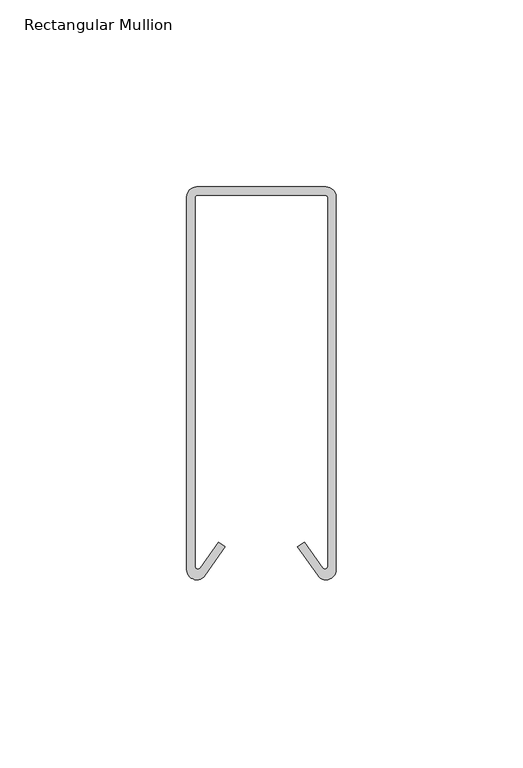
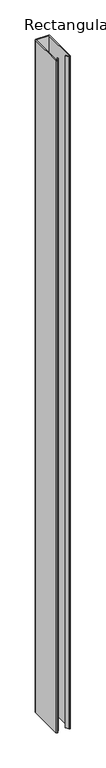
"""IFC4 building model written with IfcOpenShell, lengths in millimetres: member geometry, Rectangular Mullion."""

from ifc_helpers import new_model, si_unit, point, frame, frame_2d, origin, place, context, project, spatial, polyline, circle_curve, trimmed, segment, composite_curve, outline, extrude, source, transform, mapped, element, save


def rectangular_mullion_2d8c0390(model_context):
    return source(origin(), model_context, "Body", "SweptSolid", [
        extrude(outline(composite_curve([segment(polyline([(-17.3153076, 105.1114913), (17.3153076, 105.1114913)]), True, "CONTINUOUS"), segment(trimmed(circle_curve(frame_2d((17.3153076, 102.426799)), 2.6846924), [point((17.3153076, 105.1114913))], [point((20.0, 102.426799))], False, "CARTESIAN"), True, "CONTINUOUS"), segment(polyline([(20.0, 102.426799), (20.0, 2.703127)]), True, "CONTINUOUS"), segment(trimmed(circle_curve(frame_2d((17.2947667, 2.703127)), 2.7052333), [point((20.0, 2.703127))], [point((15.0787692, 1.1514689))], False, "CARTESIAN"), True, "CONTINUOUS"), segment(polyline([(15.0787692, 1.1514689), (9.722949, 8.8003728), (11.5250835, 10.062241), (16.3446784, 3.1791462)]), True, "CONTINUOUS"), segment(trimmed(circle_curve(frame_2d((17.0, 3.6380074)), 0.8), [point((16.3446784, 3.1791462))], [point((17.8, 3.6380074))], True, "CARTESIAN"), True, "CONTINUOUS"), segment(polyline([(17.8, 3.6380074), (17.8, 102.1114913)]), True, "CONTINUOUS"), segment(trimmed(circle_curve(frame_2d((17.0, 102.1114913)), 0.8), [point((17.8, 102.1114913))], [point((17.0, 102.9114913))], True, "CARTESIAN"), True, "CONTINUOUS"), segment(polyline([(17.0, 102.9114913), (-17.0, 102.9114913)]), True, "CONTINUOUS"), segment(trimmed(circle_curve(frame_2d((-17.0, 102.1114913)), 0.8), [point((-17.0, 102.9114913))], [point((-17.8, 102.1114913))], True, "CARTESIAN"), True, "CONTINUOUS"), segment(polyline([(-17.8, 102.1114913), (-17.8, 3.6380074)]), True, "CONTINUOUS"), segment(trimmed(circle_curve(frame_2d((-17.0, 3.6380074)), 0.8), [point((-17.8, 3.6380074))], [point((-16.3446784, 3.1791462))], True, "CARTESIAN"), True, "CONTINUOUS"), segment(polyline([(-16.3446784, 3.1791462), (-11.5250835, 10.062241), (-9.722949, 8.8003728), (-15.0787692, 1.1514689)]), True, "CONTINUOUS"), segment(trimmed(circle_curve(frame_2d((-17.2947667, 2.703127)), 2.7052333), [point((-15.0787692, 1.1514689))], [point((-20.0, 2.703127))], False, "CARTESIAN"), True, "CONTINUOUS"), segment(polyline([(-20.0, 2.703127), (-20.0, 102.426799)]), True, "CONTINUOUS"), segment(trimmed(circle_curve(frame_2d((-17.3153076, 102.426799)), 2.6846924), [point((-20.0, 102.426799))], [point((-17.3153076, 105.1114913))], False, "CARTESIAN"), True, "CONTINUOUS")], self_intersect=False)), frame((0.0, 0.0, -2000.0), z_axis=(0.0, 0.0, 1.0), x_axis=(1.0, 0.0, 0.0)), (0.0, 0.0, 1.0), 2000.0),
    ])


if __name__ == "__main__":
    model = new_model("IFC4")
    model_context = context("Model", 3, world=origin())
    ifc_project = project(units=[si_unit("LENGTHUNIT", "METRE", prefix="MILLI")], contexts=[model_context])
    site = spatial("IfcSite", under=ifc_project)
    building = spatial("IfcBuilding", under=site)
    placement = place(None, origin())
    rectangular_mullion_shape = rectangular_mullion_2d8c0390(model_context)
    element("IfcMember", 1, ObjectType="Rectangular Mullion", at=placement, inside=building, context=model_context, shape_type="MappedRepresentation", body=[
        mapped(rectangular_mullion_shape, transform((0.0, 0.0, 0.0), x_axis=(1.0, 0.0, 0.0), y_axis=(0.0, 1.0, 0.0), z_axis=(0.0, 0.0, 1.0))),
    ])
    save(model, "model.ifc")
